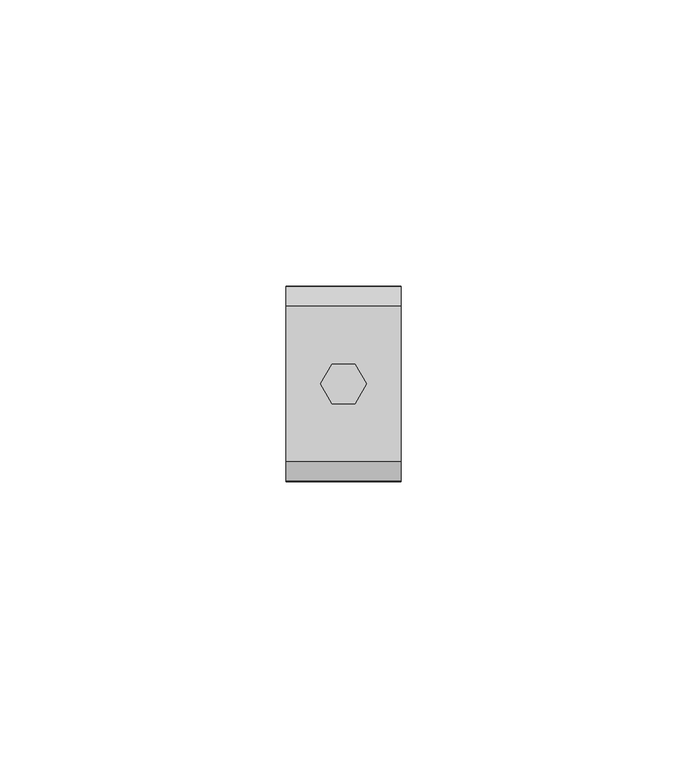
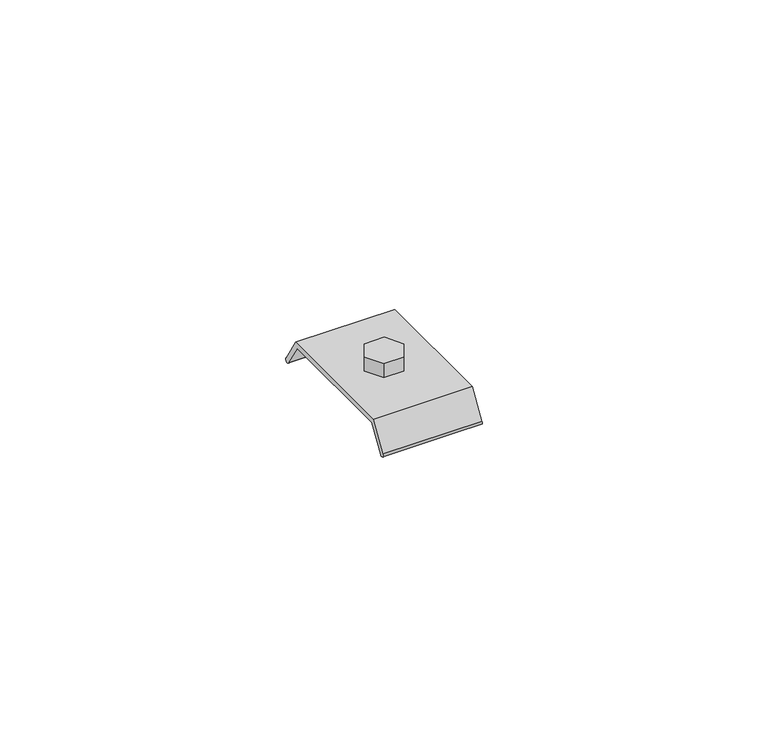
"""IFC4 building model written with IfcOpenShell, lengths in millimetres: beam geometry."""

from ifc_helpers import new_model, si_unit, point, frame, frame_2d, origin, place, context, project, spatial, polyline, circle_curve, trimmed, segment, composite_curve, outline, extrude, source, transform, mapped, element, save


def beam_5b2c728d(model_context):
    return source(origin(), model_context, "Body", "SweptSolid", [
        extrude(outline(polyline([(2.0, 3.4641016), (4.0, 0.0), (2.0, -3.4641016), (-2.0, -3.4641016), (-4.0, 0.0), (-2.0, 3.4641016), (2.0, 3.4641016)])), frame((0.0, 0.0, -25.7896475), z_axis=(0.0, 0.0, 1.0), x_axis=(1.0, 0.0, 0.0)), (0.0, 0.0, 1.0), 3.0),
        extrude(outline(composite_curve([segment(polyline([(13.0568616, -26.7896475), (-13.0568616, -26.7896475), (-16.109906, -31.7182183)]), True, "CONTINUOUS"), segment(trimmed(circle_curve(frame_2d((-16.5349604, -31.4549148)), 0.5), [point((-16.109906, -31.7182183))], [point((-16.9600149, -31.1916113))], False, "CARTESIAN"), True, "CONTINUOUS"), segment(polyline([(-16.9600149, -31.1916113), (-13.6137232, -25.7896475), (13.6137232, -25.7896475), (16.9600149, -31.1916113)]), True, "CONTINUOUS"), segment(trimmed(circle_curve(frame_2d((16.5349604, -31.4549148)), 0.5), [point((16.9600149, -31.1916113))], [point((16.109906, -31.7182183))], False, "CARTESIAN"), True, "CONTINUOUS"), segment(polyline([(16.109906, -31.7182183), (13.0568616, -26.7896475)]), True, "CONTINUOUS")], self_intersect=False)), frame((-10.003063, 0.0, 0.0), z_axis=(1.0, 0.0, 0.0), x_axis=(0.0, 1.0, 0.0)), (0.0, 0.0, 1.0), 20.0061261),
    ])


if __name__ == "__main__":
    model = new_model("IFC4")
    model_context = context("Model", 3, world=origin())
    ifc_project = project(units=[si_unit("LENGTHUNIT", "METRE", prefix="MILLI")], contexts=[model_context])
    site = spatial("IfcSite", under=ifc_project)
    building = spatial("IfcBuilding", under=site)
    placement = place(None, origin())
    beam_shape = beam_5b2c728d(model_context)
    element("IfcBeam", 1, at=placement, inside=building, context=model_context, shape_type="MappedRepresentation", body=[
        mapped(beam_shape, transform((0.0, 0.0, 0.0), x_axis=(1.0, 0.0, 0.0), y_axis=(0.0, 1.0, 0.0), z_axis=(0.0, 0.0, 1.0))),
    ])
    save(model, "model.ifc")
